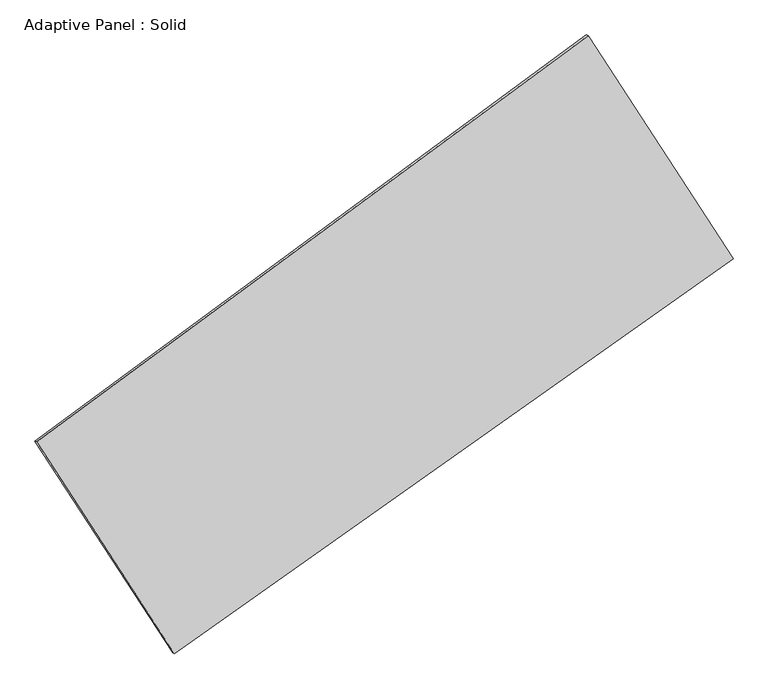
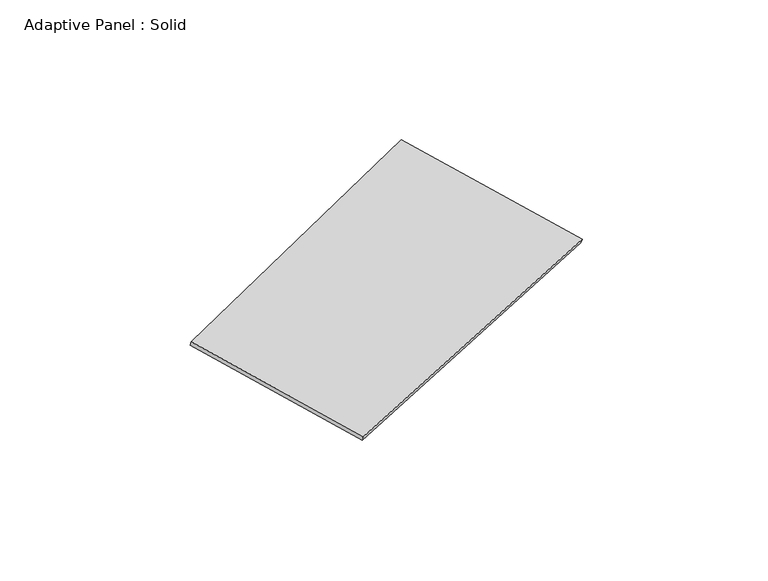
"""IFC4 building model written with IfcOpenShell, lengths in millimetres: plate geometry, Adaptive Panel : Solid."""

from ifc_helpers import new_model, si_unit, frame, origin, place, context, project, spatial, polyline, outline, extrude, source, transform, mapped, element, save


def adaptive_panel_solid_aa0f670c(model_context):
    return source(origin(), model_context, "Body", "SweptSolid", [
        extrude(outline(polyline([(-1169.7801709, 2941.1925734), (1169.7801708, 2941.1925734), (1111.2098819, -2941.1925735), (-1111.209882, -2941.1925735), (-1169.7801709, 2941.1925734)])), frame((-650.8226445, -100.0621432, 871.2806301), z_axis=(0.2933271166111735, -0.12760186928686934, 0.947458160350668), x_axis=(0.5247159770509808, -0.8069469408831131, -0.2711268670324286)), (0.0, 0.0, 1.0), 50.0),
    ])


if __name__ == "__main__":
    model = new_model("IFC4")
    model_context = context("Model", 3, world=origin())
    ifc_project = project(units=[si_unit("LENGTHUNIT", "METRE", prefix="MILLI")], contexts=[model_context])
    site = spatial("IfcSite", under=ifc_project)
    building = spatial("IfcBuilding", under=site)
    placement = place(None, origin())
    adaptive_panel_solid_shape = adaptive_panel_solid_aa0f670c(model_context)
    element("IfcPlate", 1, ObjectType="Adaptive Panel : Solid", at=placement, inside=building, context=model_context, shape_type="MappedRepresentation", body=[
        mapped(adaptive_panel_solid_shape, transform((0.0, 0.0, 0.0), x_axis=(1.0, 0.0, 0.0), y_axis=(0.0, 1.0, 0.0), z_axis=(0.0, 0.0, 1.0))),
    ])
    save(model, "model.ifc")
